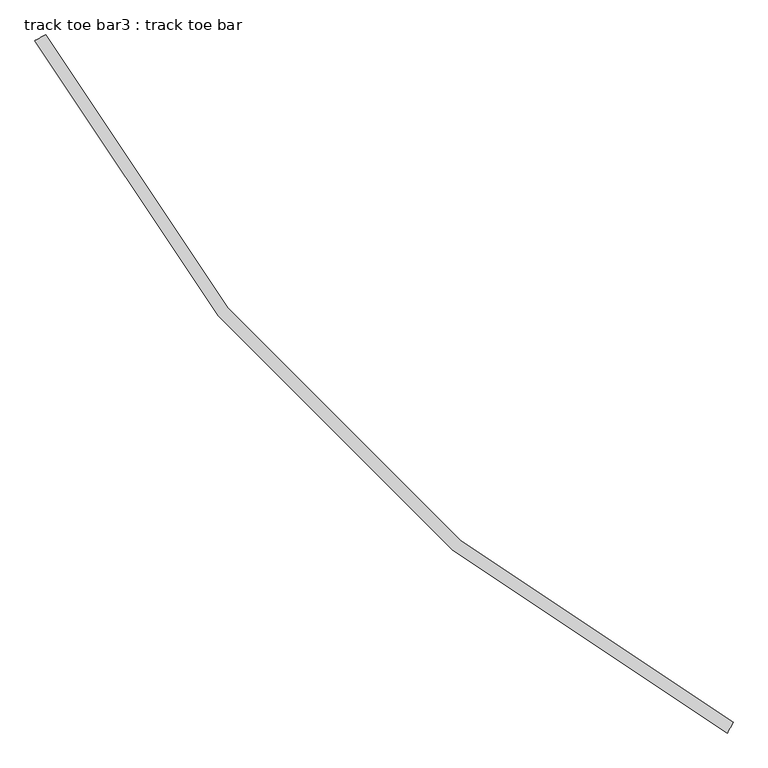
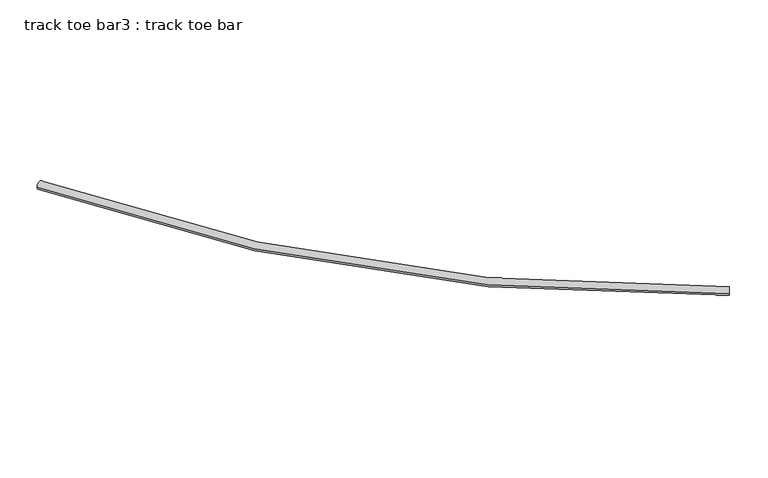
"""IFC4 building model written with IfcOpenShell, lengths in millimetres: proxy geometry, track toe bar3 : track toe bar."""

from ifc_helpers import new_model, si_unit, point, frame, origin, place, context, project, spatial, circle_curve, ellipse_curve, trimmed, source, transform, mapped, element, save
from ifc_brep_helpers import plane_surface, revolved_surface, advanced_brep


def track_toe_bar3_track_toe_bar_05b54f23(model_context):
    return source(origin(), model_context, "Body", "AdvancedBrep", [
        advanced_brep(
        [(493950.1951834, -284831.3030125, 4855.8150744), (493914.3363598, -284898.5383066, 4855.8150744), (489635.9304775, -280517.0383066, 4855.8150744), (489568.6951833, -280552.8971301, 4855.8150744)],
        [
            (0, 1, circle_curve(frame((493932.2657716, -284864.9206595, 4855.8150744), z_axis=(0.8823529411766178, -0.47058823529384186, 0.0), x_axis=(-0.47058823529384186, -0.8823529411766178, 0.0)), 38.1)),
            (1, 0, circle_curve(frame((493932.2657716, -284864.9206595, 4855.8150744), z_axis=(0.8823529411766178, -0.47058823529384186, 0.0), x_axis=(-0.47058823529384186, -0.8823529411766178, 0.0)), 38.1)),
            (2, 3, circle_curve(frame((489602.3128304, -280534.9677184, 4855.8150744), z_axis=(-0.47058823529386234, 0.8823529411766067, 0.0), x_axis=(-0.8823529411766067, -0.47058823529386234, 0.0)), 38.1)),
            (3, 2, circle_curve(frame((489602.3128304, -280534.9677184, 4855.8150744), z_axis=(-0.47058823529386234, 0.8823529411766067, 0.0), x_axis=(-0.8823529411766067, -0.47058823529386234, 0.0)), 38.1)),
            (3, 1, circle_curve(frame((498880.7834186, -275586.4500713, 4855.8150744), z_axis=(0.0, 0.0, 1.0), x_axis=(-0.47058823529384175, -0.8823529411766178, 0.0)), 10553.7)),
            (0, 2, circle_curve(frame((498880.7834186, -275586.4500713, 4855.8150744), z_axis=(0.0, 0.0, -1.0), x_axis=(-0.47058823529384175, -0.8823529411766178, 0.0)), 10477.5)),
        ],
        [
            plane_surface(frame((493932.2657716, -284864.9206595, 4927.6), z_axis=(0.8823529411766178, -0.47058823529384186, 0.0), x_axis=(0.0, 0.0, 1.0))),
            plane_surface(frame((489602.3128304, -280534.9677184, 4927.6), z_axis=(-0.4705882352938624, 0.8823529411766067, 0.0), x_axis=(0.0, 0.0, 1.0))),
            revolved_surface(trimmed(ellipse_curve(frame((493932.2657716, -284864.9206595, 4855.8150744), z_axis=(0.8823529411766178, -0.47058823529384186, 0.0), x_axis=(-0.47058823529384186, -0.8823529411766178, 0.0)), 38.1, 38.1), [point((493950.1951834, -284831.3030125, 4855.8150744))], [point((493914.3363598, -284898.5383066, 4855.8150744))], True, "CARTESIAN"), (498880.7834186, -275586.4500713, 4927.6), (0.0, 0.0, -1.0)),
            revolved_surface(trimmed(ellipse_curve(frame((493932.2657716, -284864.9206595, 4855.8150744), z_axis=(0.8823529411766178, -0.47058823529384186, 0.0), x_axis=(-0.47058823529384186, -0.8823529411766178, 0.0)), 38.1, 38.1), [point((493914.3363598, -284898.5383066, 4855.8150744))], [point((493950.1951834, -284831.3030125, 4855.8150744))], True, "CARTESIAN"), (498880.7834186, -275586.4500713, 4927.6), (0.0, 0.0, -1.0)),
        ],
        [
            (0, [[1, 2]]),
            (1, [[3, 4]]),
            (2, [[5, -1, 6, -4]]),
            (3, [[-6, -2, -5, -3]]),
        ],
    ),
    ])


if __name__ == "__main__":
    model = new_model("IFC4")
    model_context = context("Model", 3, world=origin())
    ifc_project = project(units=[si_unit("LENGTHUNIT", "METRE", prefix="MILLI")], contexts=[model_context])
    site = spatial("IfcSite", under=ifc_project)
    building = spatial("IfcBuilding", under=site)
    placement = place(None, origin())
    track_toe_bar3_track_toe_bar_shape = track_toe_bar3_track_toe_bar_05b54f23(model_context)
    element("IfcBuildingElementProxy", 1, Name="track toe bar3 : track toe bar", ObjectType="track toe bar3 : track toe bar", at=placement, inside=building, context=model_context, shape_type="MappedRepresentation", body=[
        mapped(track_toe_bar3_track_toe_bar_shape, transform((0.0, 0.0, 0.0), x_axis=(1.0, 0.0, 0.0), y_axis=(0.0, 1.0, 0.0), z_axis=(0.0, 0.0, 1.0))),
    ])
    save(model, "model.ifc")
